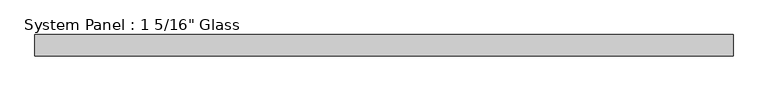
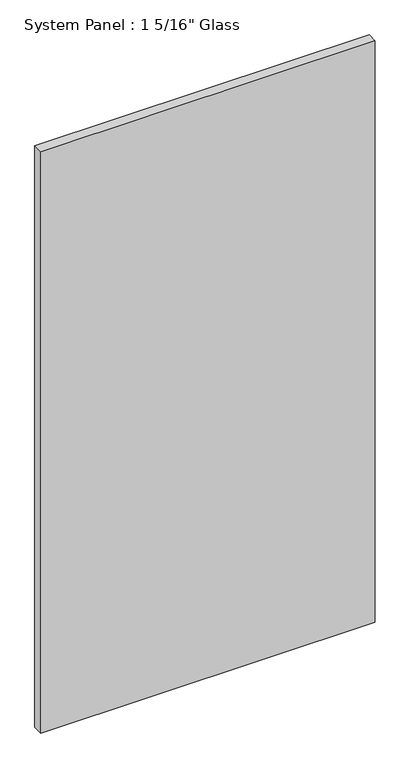
"""IFC4 building model written with IfcOpenShell, lengths in millimetres: plate geometry."""

from ifc_helpers import new_model, si_unit, origin, origin_with_axes, place, context, project, spatial, polyline, outline, extrude, source, transform, mapped, element, save


def plate_435a3c32(model_context):
    return source(origin(), model_context, "Body", "SweptSolid", [
        extrude(outline(polyline([(546.1, -16.66875), (-546.1, -16.66875), (-546.1, 16.66875), (546.1, 16.66875), (546.1, -16.66875)])), origin_with_axes(), (0.0, 0.0, 1.0), 2006.6),
    ])


if __name__ == "__main__":
    model = new_model("IFC4")
    model_context = context("Model", 3, world=origin())
    ifc_project = project(units=[si_unit("LENGTHUNIT", "METRE", prefix="MILLI")], contexts=[model_context])
    site = spatial("IfcSite", under=ifc_project)
    building = spatial("IfcBuilding", under=site)
    placement = place(None, origin())
    plate_shape = plate_435a3c32(model_context)
    element("IfcPlate", 1, ObjectType="System Panel : 1 5/16\" Glass", at=placement, inside=building, context=model_context, shape_type="MappedRepresentation", body=[
        mapped(plate_shape, transform((0.0, 0.0, 0.0), x_axis=(1.0, 0.0, 0.0), y_axis=(0.0, 1.0, 0.0), z_axis=(0.0, 0.0, 1.0))),
    ])
    save(model, "model.ifc")
